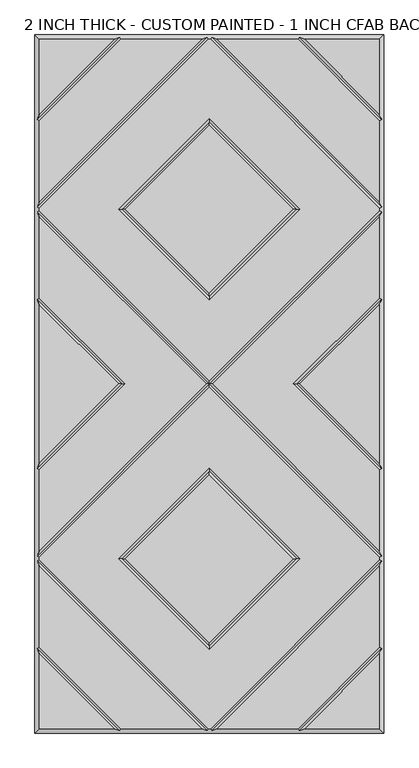
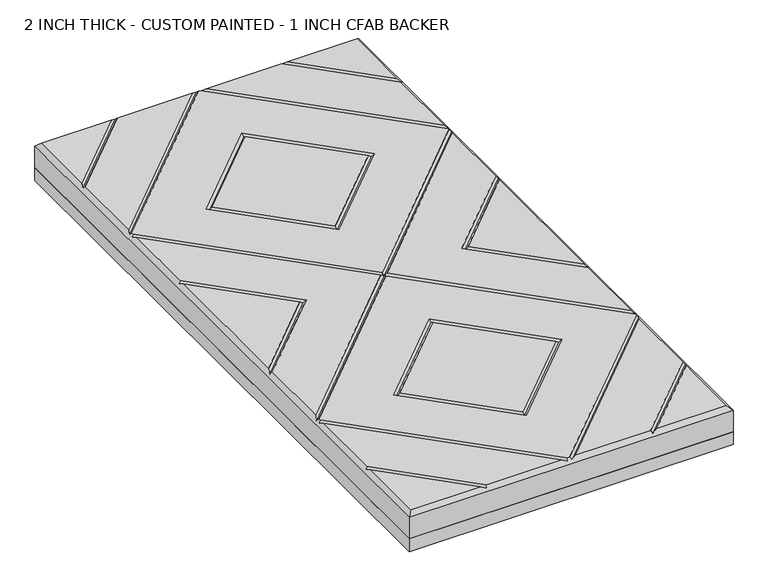
"""IFC4 building model written with IfcOpenShell, lengths in millimetres: proxy geometry, 2 INCH THICK - CUSTOM PAINTED - 1 INCH CFAB BACKER."""

from ifc_helpers import new_model, si_unit, frame, origin, place, context, project, spatial, polyline, outline, extrude, faceted_brep, source, transform, mapped, element, save


def proxy_2_inch_thick_custom_painted_1_inch_cfab_backer_9b71155a(model_context):
    return source(origin(), model_context, "Body", "SolidModel", [
        extrude(outline(polyline([(-304.8, 609.6), (304.8, 609.6), (304.8, -609.6), (-304.8, -609.6), (-304.8, 609.6)])), frame((0.0, 0.0, -25.4), z_axis=(0.0, 0.0, 1.0), x_axis=(1.0, 0.0, 0.0)), (0.0, 0.0, 1.0), 25.4),
        faceted_brep([(296.799, 470.8590948, 50.8), (296.799, 601.599, 50.8), (166.0590948, 601.599, 50.8), (-166.0590948, 601.599, 50.8), (-296.799, 601.599, 50.8), (-296.799, 470.8590948, 50.8), (2.3434141, 601.599, 50.8), (-2.343464, 601.599, 50.8), (-296.799, 307.143464, 50.8), (-296.799, 302.4565868, 50.8), (0.0, 5.6575868, 50.8), (296.799, 302.4565868, 50.8), (296.799, 307.1434632, 50.8), (158.0575614, 304.8000254, 50.8), (0.0, 146.742464, 50.8), (-158.0575614, 304.8000254, 50.8), (0.0, 462.8575868, 50.8), (166.0590079, -601.599, 50.8), (296.799, -601.599, 50.8), (296.799, -470.8585721, 50.8), (-296.799, -601.599, 50.8), (-166.0590079, -601.599, 50.8), (-296.799, -470.8585721, 50.8), (-154.743972, 601.599, 50.8), (-296.799, 459.543972, 50.8), (-296.799, 318.4585868, 50.8), (-13.6585868, 601.599, 50.8), (-2.3434382, -601.599, 50.8), (2.3434382, -601.599, 50.8), (296.799, -307.1434137, 50.8), (296.799, -302.456536, 50.8), (0.0, -5.657536, 50.8), (-296.799, -302.456536, 50.8), (-296.799, -307.1434137, 50.8), (-158.0575614, -304.7999746, 50.8), (0.0, -146.7424132, 50.8), (158.0575614, -304.7999746, 50.8), (0.0, -462.857536, 50.8), (13.6585378, 601.599, 50.8), (296.799, 318.458585, 50.8), (296.799, 459.543972, 50.8), (154.743972, 601.599, 50.8), (296.799, -318.4585369, 50.8), (13.6585605, -601.599, 50.8), (154.743904, -601.599, 50.8), (296.799, -459.5434305, 50.8), (-13.6585605, -601.599, 50.8), (-296.799, -318.4585369, 50.8), (-296.799, -459.5434305, 50.8), (-154.743904, -601.599, 50.8), (0.0, 158.0575868, 50.8), (146.7424386, 304.8000254, 50.8), (0.0, 451.542464, 50.8), (-146.7424386, 304.8000254, 50.8), (-296.799, 291.141464, 50.8), (-296.799, 150.0565868, 50.8), (-146.7424386, 2.54e-05, 50.8), (-296.799, -150.056536, 50.8), (-296.799, -291.1414132, 50.8), (-5.6575614, 2.54e-05, 50.8), (-296.799, 138.741464, 50.8), (-296.799, -138.7414132, 50.8), (-158.0575614, 2.54e-05, 50.8), (5.6575614, 2.54e-05, 50.8), (296.799, -291.1414132, 50.8), (296.799, -150.056536, 50.8), (146.7424386, 2.54e-05, 50.8), (296.799, 150.0565868, 50.8), (296.799, 291.141464, 50.8), (296.799, -138.7414132, 50.8), (296.799, 138.741464, 50.8), (158.0575614, 2.54e-05, 50.8), (0.0, -158.057536, 50.8), (-146.7424386, -304.7999746, 50.8), (0.0, -451.5424132, 50.8), (146.7424386, -304.7999746, 50.8), (-304.8, 609.6, 0.0), (304.8, 609.6, 0.0), (304.8, -609.6, 0.0), (-304.8, -609.6, 0.0), (-304.8, -609.6, 42.799), (-304.8, 609.6, 42.799), (304.8, -609.6, 42.799), (304.8, 609.6, 42.799), (-156.4010334, 605.5995, 46.7995), (-4.0005254, 605.5995, 46.7995), (4.0004753, 605.5995, 46.7995), (156.4010334, 605.5995, 46.7995), (-300.7995, -461.2004879, 46.7995), (-300.7995, -308.8004749, 46.7995), (-300.7995, -300.7994746, 46.7995), (-300.7995, -148.3994746, 46.7995), (-300.7995, 148.3995254, 46.7995), (-300.7995, 300.7995254, 46.7995), (-300.7995, 308.8005254, 46.7995), (-300.7995, 461.2010334, 46.7995), (156.4009693, -605.5995, 46.7995), (4.0004997, -605.5995, 46.7995), (-4.0004997, -605.5995, 46.7995), (-156.4009693, -605.5995, 46.7995), (300.7995, 461.2010334, 46.7995), (300.7995, 308.8005247, 46.7995), (300.7995, 300.7995254, 46.7995), (300.7995, 148.3995254, 46.7995), (300.7995, -148.3994746, 46.7995), (300.7995, -300.7994746, 46.7995), (300.7995, -308.8004749, 46.7995), (300.7995, -461.2004879, 46.7995), (0.0, 2.54e-05, 46.7995), (152.4, 304.8000254, 46.7995), (0.0, 152.4000254, 46.7995), (-152.4, 304.8000254, 46.7995), (0.0, 457.2000254, 46.7995), (-152.4, 2.54e-05, 46.7995), (152.4, 2.54e-05, 46.7995), (0.0, -152.3999746, 46.7995), (-152.4, -304.7999746, 46.7995), (0.0, -457.1999746, 46.7995), (152.4, -304.7999746, 46.7995)], [[[0, 1, 2]], [[3, 4, 5]], [[6, 7, 8, 9, 10, 11, 12], [13, 14, 15, 16]], [[17, 18, 19]], [[20, 21, 22]], [[23, 24, 25, 26]], [[27, 28, 29, 30, 31, 32, 33], [34, 35, 36, 37]], [[38, 39, 40, 41]], [[42, 43, 44, 45]], [[46, 47, 48, 49]], [[50, 51, 52, 53]], [[54, 55, 56, 57, 58, 59]], [[60, 61, 62]], [[63, 64, 65, 66, 67, 68]], [[69, 70, 71]], [[72, 73, 74, 75]], [[76, 77, 78, 79]], [[76, 79, 80, 81]], [[79, 78, 82, 80]], [[78, 77, 83, 82]], [[77, 76, 81, 83]], [[81, 4, 3, 84, 23, 26, 85, 7, 6, 86, 38, 41, 87, 2, 1, 83]], [[4, 81, 80, 20, 22, 88, 48, 47, 89, 33, 32, 90, 58, 57, 91, 61, 60, 92, 55, 54, 93, 9, 8, 94, 25, 24, 95, 5]], [[20, 80, 82, 18, 17, 96, 44, 43, 97, 28, 27, 98, 46, 49, 99, 21]], [[83, 1, 0, 100, 40, 39, 101, 12, 11, 102, 68, 67, 103, 70, 69, 104, 65, 64, 105, 30, 29, 106, 42, 45, 107, 19, 18, 82]], [[84, 95, 24, 23]], [[95, 84, 3, 5]], [[101, 86, 6, 12]], [[86, 101, 39, 38]], [[85, 94, 8, 7]], [[94, 85, 26, 25]], [[9, 93, 108, 10]], [[105, 64, 63, 108]], [[93, 54, 59, 108]], [[30, 105, 108, 31]], [[106, 97, 43, 42]], [[97, 106, 29, 28]], [[98, 89, 47, 46]], [[89, 98, 27, 33]], [[109, 110, 14, 13]], [[110, 109, 51, 50]], [[14, 110, 111, 15]], [[110, 50, 53, 111]], [[15, 111, 112, 16]], [[111, 53, 52, 112]], [[109, 13, 16, 112]], [[51, 109, 112, 52]], [[87, 100, 0, 2]], [[100, 87, 41, 40]], [[113, 56, 55, 92]], [[62, 113, 92, 60]], [[56, 113, 91, 57]], [[113, 62, 61, 91]], [[90, 108, 59, 58]], [[108, 102, 11, 10]], [[108, 90, 32, 31]], [[102, 108, 63, 68]], [[114, 71, 70, 103]], [[66, 114, 103, 67]], [[71, 114, 104, 69]], [[114, 66, 65, 104]], [[115, 116, 73, 72]], [[116, 115, 35, 34]], [[73, 116, 117, 74]], [[116, 34, 37, 117]], [[74, 117, 118, 75]], [[117, 37, 36, 118]], [[115, 72, 75, 118]], [[35, 115, 118, 36]], [[88, 99, 49, 48]], [[99, 88, 22, 21]], [[107, 96, 17, 19]], [[96, 107, 45, 44]]]),
    ])


if __name__ == "__main__":
    model = new_model("IFC4")
    model_context = context("Model", 3, world=origin())
    ifc_project = project(units=[si_unit("LENGTHUNIT", "METRE", prefix="MILLI")], contexts=[model_context])
    site = spatial("IfcSite", under=ifc_project)
    building = spatial("IfcBuilding", under=site)
    placement = place(None, origin())
    proxy_2_inch_thick_custom_painted_1_inch_cfab_backer_shape = proxy_2_inch_thick_custom_painted_1_inch_cfab_backer_9b71155a(model_context)
    element("IfcBuildingElementProxy", 1, Name="2 INCH THICK - CUSTOM PAINTED - 1 INCH CFAB BACKER", ObjectType="2 INCH THICK - CUSTOM PAINTED - 1 INCH CFAB BACKER", at=placement, inside=building, context=model_context, shape_type="MappedRepresentation", body=[
        mapped(proxy_2_inch_thick_custom_painted_1_inch_cfab_backer_shape, transform((0.0, 0.0, 0.0), x_axis=(1.0, 0.0, 0.0), y_axis=(0.0, 1.0, 0.0), z_axis=(0.0, 0.0, 1.0))),
    ])
    save(model, "model.ifc")
